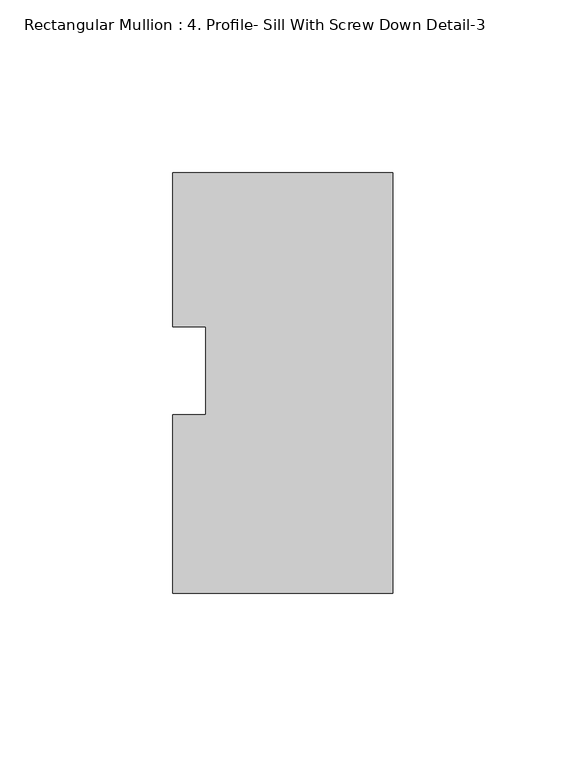
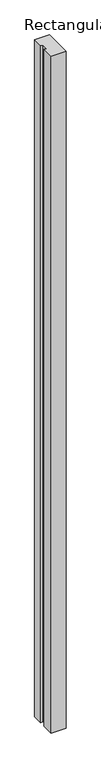
"""IFC4 building model written with IfcOpenShell, lengths in millimetres: member geometry, Rectangular Mullion : 4. Profile- Sill With Screw Down Detail-3."""

from ifc_helpers import new_model, si_unit, frame, origin, place, context, project, spatial, polyline, outline, extrude, source, transform, mapped, element, save


def rectangular_mullion_4_profile_sill_with_screw_down_detail_3_908554ed(model_context):
    return source(origin(), model_context, "Body", "SweptSolid", [
        extrude(outline(polyline([(-63.5, 12.6920431), (-63.5, 57.1157609), (0.0, 57.1157609), (0.0, -64.3216391), (-63.5, -64.3216391), (-63.5, -12.7956553), (-53.975, -12.7956553), (-53.975, 12.6920431), (-63.5, 12.6920431)])), frame((0.0, 0.0, -3048.0), z_axis=(0.0, 0.0, 1.0), x_axis=(1.0, 0.0, 0.0)), (0.0, 0.0, 1.0), 3048.0),
    ])


if __name__ == "__main__":
    model = new_model("IFC4")
    model_context = context("Model", 3, world=origin())
    ifc_project = project(units=[si_unit("LENGTHUNIT", "METRE", prefix="MILLI")], contexts=[model_context])
    site = spatial("IfcSite", under=ifc_project)
    building = spatial("IfcBuilding", under=site)
    placement = place(None, origin())
    rectangular_mullion_4_profile_sill_with_screw_down_detail_3_shape = rectangular_mullion_4_profile_sill_with_screw_down_detail_3_908554ed(model_context)
    element("IfcMember", 1, ObjectType="Rectangular Mullion : 4. Profile- Sill With Screw Down Detail-3", at=placement, inside=building, context=model_context, shape_type="MappedRepresentation", body=[
        mapped(rectangular_mullion_4_profile_sill_with_screw_down_detail_3_shape, transform((0.0, 0.0, 0.0), x_axis=(1.0, 0.0, 0.0), y_axis=(0.0, 1.0, 0.0), z_axis=(0.0, 0.0, 1.0))),
    ])
    save(model, "model.ifc")
